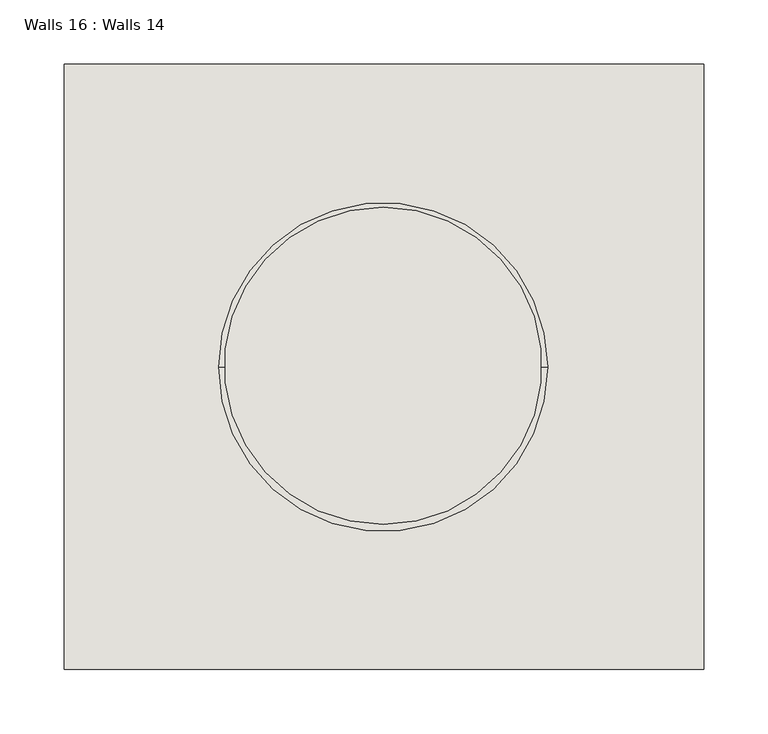
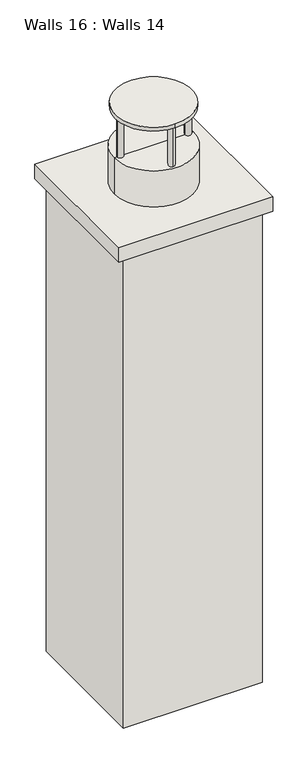
"""IFC4 building model written with IfcOpenShell, lengths in millimetres: wall geometry, Walls 16 : Walls 14."""

import ifcopenshell
import ifcopenshell.guid

model = None  # the IFC model being written
_history = None  # IfcOwnerHistory: only IFC2X3 demands one
_inside = {}  # id of a spatial element -> (the spatial element, [elements in it])
_under = {}  # id of a project, library or spatial element -> (it, [spatial elements below it])
_declared = {}  # id of a project -> (the project, [libraries it declares])
_typed = {}  # id of a type object -> (the type object, [elements of that type])
_made_of = {}  # id of a material, layer set ... -> (it, [elements and type objects made of it])


def new_model(schema):
    """Start an empty IFC model of exactly this schema.

    Asked for "IFC4X3", IfcOpenShell would pick the latest addendum, in which some entities
    have other attributes; the version numbers below select the first issue.
    IFC2X3 requires an IfcOwnerHistory on every rooted entity: one is made here for all.
    """
    global model, _history
    if schema == "IFC4X3":
        model = ifcopenshell.file(schema_version=(4, 3, 0, 0))
    else:
        model = ifcopenshell.file(schema=schema)
    _inside.clear()
    _under.clear()
    _declared.clear()
    _typed.clear()
    _made_of.clear()
    _history = None
    if model.schema == "IFC2X3":
        org = make("IfcOrganization", Name="unknown")
        user = make(
            "IfcPersonAndOrganization",
            ThePerson=make("IfcPerson", FamilyName="unknown"),
            TheOrganization=org,
        )
        app = make(
            "IfcApplication",
            ApplicationDeveloper=org,
            Version="unknown",
            ApplicationFullName="unknown",
            ApplicationIdentifier="unknown",
        )
        _history = make(
            "IfcOwnerHistory",
            OwningUser=user,
            OwningApplication=app,
            ChangeAction="ADDED",
            CreationDate=0,
        )
    return model


def make(cls, **values):
    """One entity of the class cls with the attributes given. An attribute that is None is left unset."""
    return model.create_entity(
        cls, **{name: value for name, value in values.items() if value is not None}
    )


def rooted(cls, **values):
    """An entity with a GlobalId (a new one), such as an element, a storey or a relation."""
    return make(cls, GlobalId=ifcopenshell.guid.new(), OwnerHistory=_history, **values)


def si_unit(unit_type, name, prefix=None):
    """IfcSIUnit, for example si_unit("LENGTHUNIT", "METRE", prefix="MILLI")."""
    return make("IfcSIUnit", UnitType=unit_type, Prefix=prefix, Name=name)


def assignment(units):
    """IfcUnitAssignment: the units of a project."""
    return None if units is None else make("IfcUnitAssignment", Units=units)


def point(xyz):
    """IfcCartesianPoint."""
    return None if xyz is None else make("IfcCartesianPoint", Coordinates=xyz)


def direction(xyz):
    """IfcDirection."""
    return None if xyz is None else make("IfcDirection", DirectionRatios=xyz)


def frame(location, z_axis=None, x_axis=None):
    """IfcAxis2Placement3D, a coordinate frame: its origin and axes. An axis left out is left unset."""
    return make(
        "IfcAxis2Placement3D",
        Location=point(location),
        Axis=direction(z_axis),
        RefDirection=direction(x_axis),
    )


def frame_2d(location, x_axis=None):
    """IfcAxis2Placement2D, a coordinate frame in the plane: its origin and x axis."""
    return make(
        "IfcAxis2Placement2D", Location=point(location), RefDirection=direction(x_axis)
    )


def origin():
    """The frame at (0, 0, 0) with its axes left unset."""
    return frame((0.0, 0.0, 0.0))


def place(relative_to, where):
    """IfcLocalPlacement: puts the frame where relative to a parent placement (None: the world)."""
    return make(
        "IfcLocalPlacement", PlacementRelTo=relative_to, RelativePlacement=where
    )


def context(
    kind, dimensions, precision=None, world=None, true_north=None, identifier=None
):
    """IfcGeometricRepresentationContext, for example the 3D "Model" context."""
    return make(
        "IfcGeometricRepresentationContext",
        ContextIdentifier=identifier,
        ContextType=kind,
        CoordinateSpaceDimension=dimensions,
        Precision=precision,
        WorldCoordinateSystem=world,
        TrueNorth=true_north,
    )


def project(units=None, contexts=None):
    """IfcProject with its units and contexts."""
    return rooted(
        "IfcProject",
        Name="project",
        RepresentationContexts=contexts,
        UnitsInContext=assignment(units),
    )


def spatial(cls, under=None, at=None, **own):
    """A site, building, storey or space (cls), placed at a placement, below another one or the project."""
    s = rooted(cls, ObjectPlacement=at, **own)
    if under is not None:
        _under.setdefault(under.id(), (under, []))[1].append(s)
    return s


def polyline(points):
    """IfcPolyline through the points."""
    return make("IfcPolyline", Points=[point(p) for p in points])


def circle_curve(where, radius):
    """IfcCircle in the frame where."""
    return make("IfcCircle", Position=where, Radius=radius)


def trimmed(basis, trim1, trim2, sense, master):
    """IfcTrimmedCurve: the piece of a basis curve between two trims."""
    return make(
        "IfcTrimmedCurve",
        BasisCurve=basis,
        Trim1=trim1,
        Trim2=trim2,
        SenseAgreement=sense,
        MasterRepresentation=master,
    )


def segment(curve, same_sense, transition):
    """IfcCompositeCurveSegment."""
    return make(
        "IfcCompositeCurveSegment",
        Transition=transition,
        SameSense=same_sense,
        ParentCurve=curve,
    )


def composite_curve(segments, self_intersect=None):
    """IfcCompositeCurve: segments joined end to end."""
    return make("IfcCompositeCurve", Segments=segments, SelfIntersect=self_intersect)


def outline(outer, holes=None, kind="AREA"):
    """IfcArbitraryClosedProfileDef: a profile drawn as a closed curve; with holes, ...WithVoids."""
    if holes is None:
        return make("IfcArbitraryClosedProfileDef", ProfileType=kind, OuterCurve=outer)
    return make(
        "IfcArbitraryProfileDefWithVoids",
        ProfileType=kind,
        OuterCurve=outer,
        InnerCurves=holes,
    )


def extrude(swept, where, along, depth):
    """IfcExtrudedAreaSolid: the profile swept, set in the frame where, extruded along a direction by depth."""
    return make(
        "IfcExtrudedAreaSolid",
        SweptArea=swept,
        Position=where,
        ExtrudedDirection=direction(along),
        Depth=depth,
    )


def shape(context_of_items, identifier, shape_type, items):
    """IfcShapeRepresentation: the items that make up one representation, for example the "Body"."""
    return make(
        "IfcShapeRepresentation",
        ContextOfItems=context_of_items,
        RepresentationIdentifier=identifier,
        RepresentationType=shape_type,
        Items=items,
    )


def source(mapping_origin, context_of_items, identifier, shape_type, items):
    """IfcRepresentationMap: a shape defined once, which mapped items show again and again."""
    return make(
        "IfcRepresentationMap",
        MappingOrigin=mapping_origin,
        MappedRepresentation=shape(context_of_items, identifier, shape_type, items),
    )


def transform(
    local_origin,
    x_axis=None,
    y_axis=None,
    z_axis=None,
    scale=None,
    scale2=None,
    scale3=None,
    uniform=True,
):
    """IfcCartesianTransformationOperator3D, or its non-uniform kind. x_axis, y_axis, z_axis: its Axis1, 2, 3."""
    if uniform:
        return make(
            "IfcCartesianTransformationOperator3D",
            Axis1=direction(x_axis),
            Axis2=direction(y_axis),
            LocalOrigin=point(local_origin),
            Scale=scale,
            Axis3=direction(z_axis),
        )
    return make(
        "IfcCartesianTransformationOperator3DnonUniform",
        Axis1=direction(x_axis),
        Axis2=direction(y_axis),
        LocalOrigin=point(local_origin),
        Scale=scale,
        Axis3=direction(z_axis),
        Scale2=scale2,
        Scale3=scale3,
    )


def mapped(mapping_source, mapping_target):
    """IfcMappedItem: shows the shape of a source again, moved by a transform."""
    return make(
        "IfcMappedItem", MappingSource=mapping_source, MappingTarget=mapping_target
    )


def made_of(thing, what):
    """Note that an element or type object is made of a material, layer set ...; save() writes the relation."""
    if what is not None:
        _made_of.setdefault(what.id(), (what, []))[1].append(thing)
    return thing


def element(
    cls,
    number,
    at=None,
    inside=None,
    cuts=None,
    type_object=None,
    material=None,
    context=None,
    identifier="Body",
    shape_type=None,
    held_by="IfcProductDefinitionShape",
    body=None,
    shapes=None,
    **own,
):
    """One element of the class cls, such as IfcWall. Its Tag is "e" and its number.

    at: its placement. inside: the storey or other place that contains it. cuts: it is an
    opening in that element (IfcRelVoidsElement). A single representation is given by context,
    identifier, shape_type and body (its items); several are given by shapes. held_by: the class
    of the entity that holds the representations. save() writes the other relations.
    """
    e = rooted(cls, Tag="e%d" % number, ObjectPlacement=at, **own)
    if body is not None:
        shapes = [shape(context, identifier, shape_type, body)]
    if shapes is not None:
        e.Representation = make(held_by, Representations=shapes)
    if inside is not None:
        _inside.setdefault(inside.id(), (inside, []))[1].append(e)
    if cuts is not None:
        rooted(
            "IfcRelVoidsElement", RelatingBuildingElement=cuts, RelatedOpeningElement=e
        )
    if type_object is not None:
        _typed.setdefault(type_object.id(), (type_object, []))[1].append(e)
    return made_of(e, material)


def aggregate(whole, parts):
    """IfcRelAggregates: a whole, such as a stair, and the parts it consists of."""
    return rooted("IfcRelAggregates", RelatingObject=whole, RelatedObjects=parts)


def save(model, path):
    """Write the relations noted so far, then the file.

    IfcRelAggregates (storeys below a building ...), IfcRelContainedInSpatialStructure (elements
    in a storey), IfcRelDefinesByType, IfcRelAssociatesMaterial and IfcRelDeclares: one each for
    every whole, place, type object, material and project.
    """
    for whole, parts in _under.values():
        aggregate(whole, parts)
    for where, things in _inside.values():
        rooted(
            "IfcRelContainedInSpatialStructure",
            RelatedElements=things,
            RelatingStructure=where,
        )
    for kind, things in _typed.values():
        rooted("IfcRelDefinesByType", RelatedObjects=things, RelatingType=kind)
    for what, things in _made_of.values():
        rooted("IfcRelAssociatesMaterial", RelatedObjects=things, RelatingMaterial=what)
    for by, libraries in _declared.values():
        rooted("IfcRelDeclares", RelatingContext=by, RelatedDefinitions=libraries)
    model.write(path)


def plane_surface(at):
    """IfcPlane: the flat surface through the origin of the frame at, square to its z axis."""
    return make("IfcPlane", Position=at)


def cylinder_surface(at, radius):
    """IfcCylindricalSurface: all points at the distance radius from the z axis of the frame at."""
    return make("IfcCylindricalSurface", Position=at, Radius=radius)


def advanced_brep(points, edges, surfaces, faces):
    """IfcAdvancedBrep: a solid bounded by faces that lie on surfaces and meet in shared edges.

    An edge is (start, end): straight between two places in points (the first is 0);
    or (start, end, curve); or (start, end, curve, False) where it runs against its curve.
    A face is (place in surfaces, loops), or (place, loops, False) where it looks against
    its surface's normal. A loop lists edges by number (the first is 1), with a minus sign
    where the edge is run from its end to its start. The first loop is the outer one.
    """
    corners = [point(p) for p in points]
    vertices = [make("IfcVertexPoint", VertexGeometry=c) for c in corners]
    made = []
    for start, end, *more in edges:
        made.append(
            make(
                "IfcEdgeCurve",
                EdgeStart=vertices[start],
                EdgeEnd=vertices[end],
                EdgeGeometry=more[0] if more else make("IfcPolyline", Points=[corners[start], corners[end]]),
                SameSense=more[1] if len(more) > 1 else True,
            )
        )
    hull = []
    for where, loops, *sense in faces:
        bounds = []
        for j, loop in enumerate(loops):
            ring = [make("IfcOrientedEdge", EdgeElement=made[abs(k) - 1], Orientation=k > 0) for k in loop]
            bounds.append(
                make(
                    "IfcFaceOuterBound" if j == 0 else "IfcFaceBound",
                    Bound=make("IfcEdgeLoop", EdgeList=ring),
                    Orientation=True,
                )
            )
        hull.append(make("IfcAdvancedFace", Bounds=bounds, FaceSurface=surfaces[where], SameSense=sense[0] if sense else True))
    return make("IfcAdvancedBrep", Outer=make("IfcClosedShell", CfsFaces=hull))


def walls_16_walls_14_10a805e5(model_context):
    return source(origin(), model_context, "Body", "SolidModel", [
        extrude(outline(composite_curve([segment(trimmed(circle_curve(frame_2d((-32338.9149557, 48323.3063939)), 123.3421824), [point((-32338.9149557, 48199.9642115))], [point((-32338.9149557, 48446.6485764))], False, "CARTESIAN"), True, "CONTINUOUS"), segment(trimmed(circle_curve(frame_2d((-32338.9149557, 48323.3063939)), 123.3421824), [point((-32338.9149557, 48446.6485764))], [point((-32338.9149557, 48199.9642115))], False, "CARTESIAN"), True, "CONTINUOUS")], self_intersect=False)), frame((0.0, 0.0, 116278.9138493), z_axis=(0.0, 0.0, 1.0), x_axis=(1.0, 0.0, 0.0)), (0.0, 0.0, 1.0), 13.0962291),
        extrude(outline(composite_curve([segment(trimmed(circle_curve(frame_2d((-32343.2758124, 48432.031248)), 10.0), [point((-32343.2758124, 48422.031248))], [point((-32343.2758124, 48442.031248))], False, "CARTESIAN"), True, "CONTINUOUS"), segment(trimmed(circle_curve(frame_2d((-32343.2758124, 48432.031248)), 10.0), [point((-32343.2758124, 48442.031248))], [point((-32343.2758124, 48422.031248))], False, "CARTESIAN"), True, "CONTINUOUS")], self_intersect=False)), frame((0.0, 0.0, 116146.3455574), z_axis=(0.0, 0.0, 1.0), x_axis=(1.0, 0.0, 0.0)), (0.0, 0.0, 1.0), 139.4268122),
        extrude(outline(composite_curve([segment(trimmed(circle_curve(frame_2d((-32344.0465016, 48213.1555344)), 10.0), [point((-32344.0465016, 48203.1555344))], [point((-32344.0465016, 48223.1555344))], False, "CARTESIAN"), True, "CONTINUOUS"), segment(trimmed(circle_curve(frame_2d((-32344.0465016, 48213.1555344)), 10.0), [point((-32344.0465016, 48223.1555344))], [point((-32344.0465016, 48203.1555344))], False, "CARTESIAN"), True, "CONTINUOUS")], self_intersect=False)), frame((0.0, 0.0, 116146.3455574), z_axis=(0.0, 0.0, 1.0), x_axis=(1.0, 0.0, 0.0)), (0.0, 0.0, 1.0), 139.4268122),
        extrude(outline(composite_curve([segment(trimmed(circle_curve(frame_2d((-32447.10082, 48322.2080466)), 10.0), [point((-32437.10082, 48322.2080466))], [point((-32457.10082, 48322.2080466))], False, "CARTESIAN"), True, "CONTINUOUS"), segment(trimmed(circle_curve(frame_2d((-32447.10082, 48322.2080466)), 10.0), [point((-32457.10082, 48322.2080466))], [point((-32437.10082, 48322.2080466))], False, "CARTESIAN"), True, "CONTINUOUS")], self_intersect=False)), frame((0.0, 0.0, 116146.3455574), z_axis=(0.0, 0.0, 1.0), x_axis=(1.0, 0.0, 0.0)), (0.0, 0.0, 1.0), 139.4268122),
        extrude(outline(composite_curve([segment(trimmed(circle_curve(frame_2d((-32228.2251064, 48321.4373575)), 10.0), [point((-32218.2251064, 48321.4373575))], [point((-32238.2251064, 48321.4373575))], False, "CARTESIAN"), True, "CONTINUOUS"), segment(trimmed(circle_curve(frame_2d((-32228.2251064, 48321.4373575)), 10.0), [point((-32238.2251064, 48321.4373575))], [point((-32218.2251064, 48321.4373575))], False, "CARTESIAN"), True, "CONTINUOUS")], self_intersect=False)), frame((0.0, 0.0, 116146.3455574), z_axis=(0.0, 0.0, 1.0), x_axis=(1.0, 0.0, 0.0)), (0.0, 0.0, 1.0), 139.4268122),
        advanced_brep(
        [(-32211.0915194, 48322.2816144, 116146.3455574), (-32466.6140794, 48322.2816144, 116146.3455574), (-32338.8527994, 48322.2816144, 116146.3455574), (-32211.0915194, 48322.2816144, 116008.035181), (-32466.6140794, 48322.2816144, 116008.035181), (-32338.8527994, 48322.2816144, 116008.035181)],
        [
            (0, 1, circle_curve(frame((-32338.8527994, 48322.2816144, 116146.3455574), z_axis=(0.0, 0.0, 1.0), x_axis=(-1.0, 0.0, 0.0)), 127.76128)),
            (1, 2),
            (2, 0),
            (1, 0, circle_curve(frame((-32338.8527994, 48322.2816144, 116146.3455574), z_axis=(0.0, 0.0, 1.0), x_axis=(-1.0, 0.0, 0.0)), 127.76128)),
            (3, 4, circle_curve(frame((-32338.8527994, 48322.2816144, 116008.035181), z_axis=(0.0, 0.0, 1.0), x_axis=(-1.0, 0.0, 0.0)), 127.76128)),
            (4, 1),
            (0, 3),
            (4, 3, circle_curve(frame((-32338.8527994, 48322.2816144, 116008.035181), z_axis=(0.0, 0.0, 1.0), x_axis=(-1.0, 0.0, 0.0)), 127.76128)),
            (5, 4),
            (3, 5),
        ],
        [
            plane_surface(frame((-32338.8527994, 48322.2816144, 116146.3455574), z_axis=(0.0, 0.0, 1.0), x_axis=(-1.0, 0.0, 0.0))),
            cylinder_surface(frame((-32338.8527994, 48322.2816144, 116146.3455574), z_axis=(0.0, 0.0, -1.0), x_axis=(-1.0, 0.0, 0.0)), 127.76128),
            plane_surface(frame((-32338.8527994, 48322.2816144, 116008.035181), z_axis=(0.0, 0.0, -1.0), x_axis=(-1.0, 0.0, 0.0))),
        ],
        [
            (0, [[1, 2, 3]]),
            (0, [[4, -3, -2]]),
            (1, [[5, 6, -1, 7]]),
            (1, [[8, -7, -4, -6]]),
            (2, [[9, -5, 10]]),
            (2, [[-10, -8, -9]]),
        ],
    ),
        extrude(outline(polyline([(-32089.791977, 48087.4777215), (-32586.5358637, 48087.4777215), (-32586.5358637, 48557.7193846), (-32089.791977, 48557.7193846), (-32089.791977, 48087.4777215)])), frame((0.0, 0.0, 115975.2628867), z_axis=(0.0, 0.0, 1.0), x_axis=(1.0, 0.0, 0.0)), (0.0, 0.0, 1.0), 48.5229956),
        extrude(outline(polyline([(-32114.4764655, 48102.2816144), (-32563.5839951, 48102.2816144), (-32563.5839951, 48535.079512), (-32114.4764655, 48535.079512), (-32114.4764655, 48102.2816144)])), frame((0.0, 0.0, 114366.2783928), z_axis=(0.0, 0.0, 1.0), x_axis=(1.0, 0.0, 0.0)), (0.0, 0.0, 1.0), 1615.8477504),
    ])


if __name__ == "__main__":
    model = new_model("IFC4")
    model_context = context("Model", 3, world=origin())
    ifc_project = project(units=[si_unit("LENGTHUNIT", "METRE", prefix="MILLI")], contexts=[model_context])
    site = spatial("IfcSite", under=ifc_project)
    building = spatial("IfcBuilding", under=site)
    placement = place(None, origin())
    walls_16_walls_14_shape = walls_16_walls_14_10a805e5(model_context)
    element("IfcWall", 1, ObjectType="Walls 16 : Walls 14", at=placement, inside=building, context=model_context, shape_type="MappedRepresentation", body=[
        mapped(walls_16_walls_14_shape, transform((0.0, 0.0, 0.0), x_axis=(1.0, 0.0, 0.0), y_axis=(0.0, 1.0, 0.0), z_axis=(0.0, 0.0, 1.0))),
    ])
    save(model, "model.ifc")
